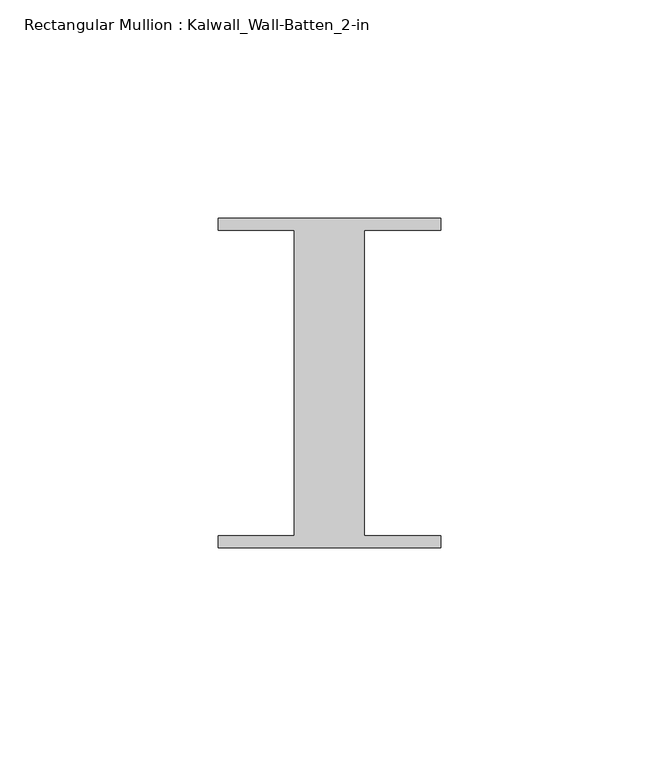
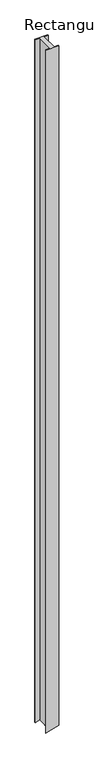
"""IFC4 building model written with IfcOpenShell, lengths in millimetres: member geometry, Rectangular Mullion : Kalwall_Wall-Batten_2-in."""

from ifc_helpers import new_model, si_unit, frame, origin, place, context, project, spatial, circle_curve, source, transform, mapped, element, save
from ifc_brep_helpers import plane_surface, cylinder_surface, advanced_brep


def rectangular_mullion_kalwall_wall_batten_2_in_f0b5e2f8(model_context):
    return source(origin(), model_context, "Body", "AdvancedBrep", [
        advanced_brep(
        [(-25.5, 37.794, 0.0), (-25.5, 35.0, 0.0), (-8.0, 35.0, 0.0), (-8.0, -35.0, 0.0), (-25.5, -35.0, 0.0), (-25.5, -37.794, 0.0), (25.5, -37.794, 0.0), (25.5, -35.0, 0.0), (8.0, -35.0, 0.0), (8.0, 35.0, 0.0), (25.5, 35.0, 0.0), (25.5, 37.794, 0.0), (-25.5, 37.794, -2848.4806867), (-25.5, 35.0, -2848.4806867), (-13.8141633, 35.0, -2845.2077318), (-8.0, 35.0, -2843.5575069), (-8.0, -35.0, -2843.5575069), (-13.8141633, -35.0, -2845.2077318), (-25.5, -35.0, -2848.4806867), (-25.5, -37.794, -2848.4806867), (-13.8141633, -37.794, -2845.2077318), (25.5, -37.794, -2833.7654187), (25.5, -35.0, -2833.7654187), (8.0, -35.0, -2838.9411841), (8.0, 35.0, -2838.9411841), (25.5, 35.0, -2833.7654187), (25.5, 37.794, -2833.7654187), (-13.8141633, 37.794, -2845.2077318)],
        [
            (0, 1),
            (1, 2),
            (2, 3),
            (3, 4),
            (4, 5),
            (5, 6),
            (6, 7),
            (7, 8),
            (8, 9),
            (9, 10),
            (10, 11),
            (11, 0),
            (0, 12),
            (12, 13),
            (13, 1),
            (13, 14, circle_curve(frame((-725.4229997, 35.0, -326.960692), z_axis=(0.0, -1.0, 0.0), x_axis=(0.27193234899360363, 0.0, -0.962316370831766)), 2616.8598146)),
            (14, 15, circle_curve(frame((-725.4229997, 35.0, -326.960692), z_axis=(0.0, -1.0, 0.0), x_axis=(0.8569308528411153, 0.0, -0.5154313857818507)), 2616.8598146)),
            (15, 2),
            (15, 16),
            (16, 3),
            (16, 17, circle_curve(frame((-725.4229997, -35.0, -326.960692), z_axis=(0.0, 1.0, 0.0), x_axis=(0.8569308528411153, 0.0, -0.5154313857818507)), 2616.8598146)),
            (17, 18, circle_curve(frame((-725.4229997, -35.0, -326.960692), z_axis=(0.0, 1.0, 0.0), x_axis=(0.27193234899360363, 0.0, -0.962316370831766)), 2616.8598146)),
            (18, 4),
            (18, 19),
            (19, 5),
            (19, 20, circle_curve(frame((-725.4229997, -37.794, -326.960692), z_axis=(0.0, -1.0, 0.0), x_axis=(0.27193234899360363, 0.0, -0.962316370831766)), 2616.8598146)),
            (20, 21, circle_curve(frame((-725.4229997, -37.794, -326.960692), z_axis=(0.0, -1.0, 0.0), x_axis=(0.8569308528411153, 0.0, -0.5154313857818507)), 2616.8598146)),
            (21, 6),
            (21, 22),
            (22, 7),
            (22, 23, circle_curve(frame((-725.4229997, -35.0, -326.960692), z_axis=(0.0, 1.0, 0.0), x_axis=(0.8569308528411153, 0.0, -0.5154313857818507)), 2616.8598146)),
            (23, 8),
            (23, 24),
            (24, 9),
            (24, 25, circle_curve(frame((-725.4229997, 35.0, -326.960692), z_axis=(0.0, -1.0, 0.0), x_axis=(0.8569308528411153, 0.0, -0.5154313857818507)), 2616.8598146)),
            (25, 10),
            (25, 26),
            (26, 11),
            (26, 27, circle_curve(frame((-725.4229997, 37.794, -326.960692), z_axis=(0.0, 1.0, 0.0), x_axis=(0.8569308528411153, 0.0, -0.5154313857818507)), 2616.8598146)),
            (27, 12, circle_curve(frame((-725.4229997, 37.794, -326.960692), z_axis=(0.0, 1.0, 0.0), x_axis=(0.27193234899360363, 0.0, -0.962316370831766)), 2616.8598146)),
            (17, 20),
            (14, 27),
        ],
        [
            plane_surface(frame((0.0, -45.5920655, 0.0), z_axis=(0.0, 0.0, 1.0), x_axis=(-1.0, 0.0, 0.0))),
            plane_surface(frame((-25.5, 37.794, 0.0), z_axis=(-1.0, 0.0, 0.0), x_axis=(0.0, 0.0, -1.0))),
            plane_surface(frame((-25.5, 35.0, 0.0), z_axis=(0.0, -1.0, 0.0), x_axis=(0.0, 0.0, -1.0))),
            plane_surface(frame((-8.0, 35.0, 0.0), z_axis=(-1.0, 0.0, 0.0), x_axis=(0.0, 0.0, -1.0))),
            plane_surface(frame((-8.0, -35.0, 0.0), z_axis=(0.0, 1.0, 0.0), x_axis=(0.0, 0.0, -1.0))),
            plane_surface(frame((-25.5, -35.0, 0.0), z_axis=(-1.0, 0.0, 0.0), x_axis=(0.0, 0.0, -1.0))),
            plane_surface(frame((-25.5, -37.794, 0.0), z_axis=(0.0, -1.0, 0.0), x_axis=(0.0, 0.0, -1.0))),
            plane_surface(frame((25.5, -37.794, 0.0), z_axis=(1.0, 0.0, 0.0), x_axis=(0.0, 0.0, -1.0))),
            plane_surface(frame((25.5, -35.0, 0.0), z_axis=(0.0, 1.0, 0.0), x_axis=(0.0, 0.0, -1.0))),
            plane_surface(frame((8.0, -35.0, 0.0), z_axis=(1.0, 0.0, 0.0), x_axis=(0.0, 0.0, -1.0))),
            plane_surface(frame((8.0, 35.0, 0.0), z_axis=(0.0, -1.0, 0.0), x_axis=(0.0, 0.0, -1.0))),
            plane_surface(frame((25.5, 35.0, 0.0), z_axis=(1.0, 0.0, 0.0), x_axis=(0.0, 0.0, -1.0))),
            plane_surface(frame((25.5, 37.794, 0.0), z_axis=(0.0, 1.0, 0.0), x_axis=(0.0, 0.0, -1.0))),
            cylinder_surface(frame((-725.4229997, 0.0, -326.960692), z_axis=(0.0, 1.0, 0.0), x_axis=(0.27193234899360363, 0.0, -0.962316370831766)), 2616.8598146),
            cylinder_surface(frame((-725.4229997, 0.0, -326.960692), z_axis=(0.0, 1.0, 0.0), x_axis=(0.8569308528411153, 0.0, -0.5154313857818507)), 2616.8598146),
        ],
        [
            (0, [[1, 2, 3, 4, 5, 6, 7, 8, 9, 10, 11, 12]]),
            (1, [[-1, 13, 14, 15]]),
            (2, [[-2, -15, 16, 17, 18]]),
            (3, [[-3, -18, 19, 20]]),
            (4, [[-4, -20, 21, 22, 23]]),
            (5, [[-5, -23, 24, 25]]),
            (6, [[-6, -25, 26, 27, 28]]),
            (7, [[-7, -28, 29, 30]]),
            (8, [[-8, -30, 31, 32]]),
            (9, [[-9, -32, 33, 34]]),
            (10, [[-10, -34, 35, 36]]),
            (11, [[-11, -36, 37, 38]]),
            (12, [[-12, -38, 39, 40, -13]]),
            (13, [[-26, -24, -22, 41]]),
            (14, [[-39, -37, -35, -33, -31, -29, -27, -41, -21, -19, -17, 42]]),
            (13, [[-40, -42, -16, -14]]),
        ],
    ),
    ])


if __name__ == "__main__":
    model = new_model("IFC4")
    model_context = context("Model", 3, world=origin())
    ifc_project = project(units=[si_unit("LENGTHUNIT", "METRE", prefix="MILLI")], contexts=[model_context])
    site = spatial("IfcSite", under=ifc_project)
    building = spatial("IfcBuilding", under=site)
    placement = place(None, origin())
    rectangular_mullion_kalwall_wall_batten_2_in_shape = rectangular_mullion_kalwall_wall_batten_2_in_f0b5e2f8(model_context)
    element("IfcMember", 1, ObjectType="Rectangular Mullion : Kalwall_Wall-Batten_2-in", at=placement, inside=building, context=model_context, shape_type="MappedRepresentation", body=[
        mapped(rectangular_mullion_kalwall_wall_batten_2_in_shape, transform((0.0, 0.0, 0.0), x_axis=(1.0, 0.0, 0.0), y_axis=(0.0, 1.0, 0.0), z_axis=(0.0, 0.0, 1.0))),
    ])
    save(model, "model.ifc")
